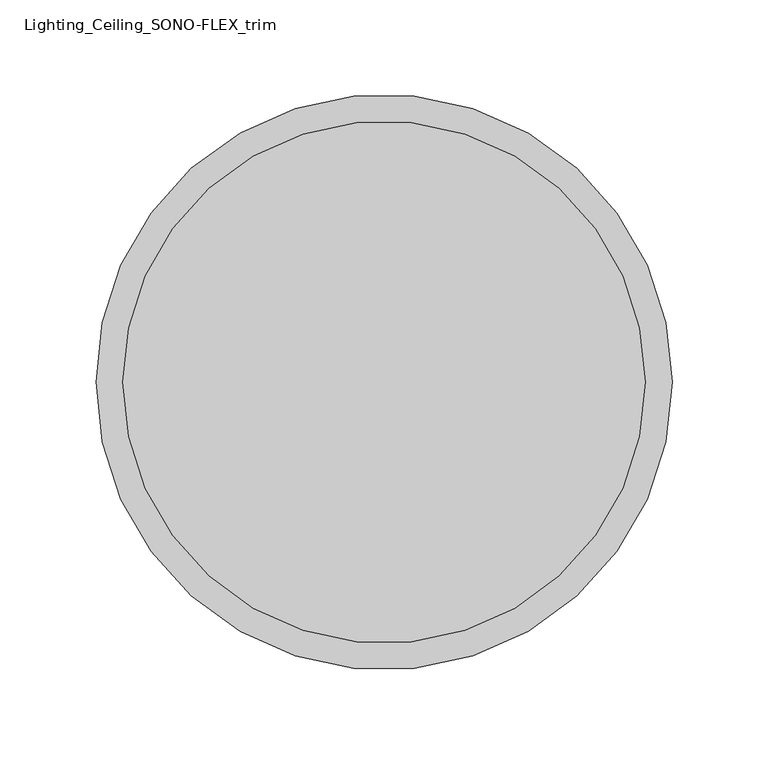
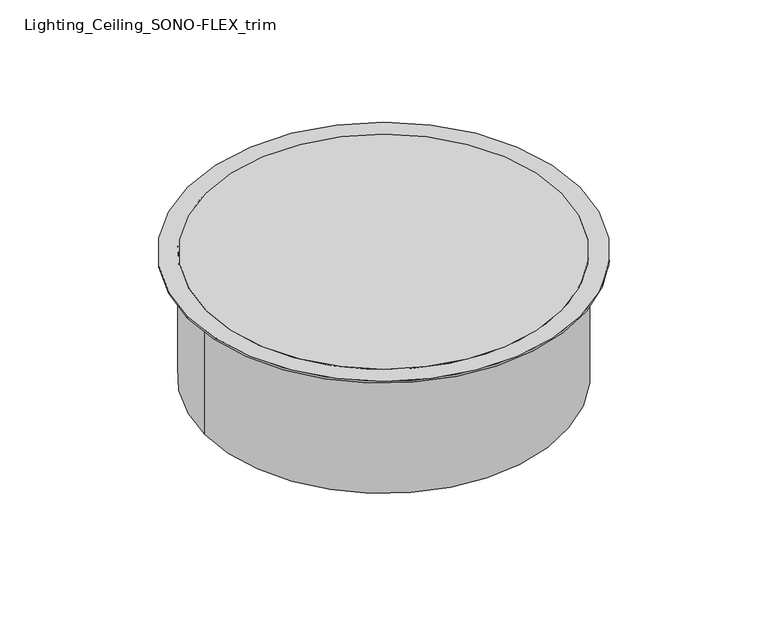
"""IFC4 building model written with IfcOpenShell, lengths in millimetres: light fixture geometry, Lighting_Ceiling_SONO-FLEX_trim."""

from ifc_helpers import new_model, si_unit, point, frame, origin, origin_2d, place, context, project, spatial, polyline, circle_curve, trimmed, segment, composite_curve, outline, extrude, source, transform, mapped, element, save
from ifc_brep_helpers import plane_surface, cylinder_surface, revolved_surface, advanced_brep


def lighting_ceiling_sono_flex_trim_cee414fc(model_context):
    return source(origin(), model_context, "Body", "SolidModel", [
        extrude(outline(composite_curve([segment(trimmed(circle_curve(origin_2d(), 136.0), [point((-136.0, 0.0))], [point((136.0, 0.0))], False, "CARTESIAN"), True, "CONTINUOUS"), segment(trimmed(circle_curve(origin_2d(), 136.0), [point((136.0, 0.0))], [point((-136.0, 0.0))], False, "CARTESIAN"), True, "CONTINUOUS")], self_intersect=False)), frame((0.0, 0.0, -1.5), z_axis=(0.0, 0.0, 1.0), x_axis=(1.0, 0.0, 0.0)), (0.0, 0.0, 1.0), 1.5),
        advanced_brep(
        [(-137.0, 0.0, -1.5), (137.0, 0.0, -1.5), (136.0, 0.0, -1.5), (-136.0, 0.0, -1.5), (-137.0, 0.0, -100.0), (137.0, 0.0, -100.0), (-136.0, 0.0, -97.0), (136.0, 0.0, -97.0)],
        [
            (0, 1, circle_curve(frame((0.0, 0.0, -1.5), z_axis=(0.0, 0.0, 1.0), x_axis=(1.0, 0.0, 0.0)), 137.0)),
            (1, 0, circle_curve(frame((0.0, 0.0, -1.5), z_axis=(0.0, 0.0, 1.0), x_axis=(1.0, 0.0, 0.0)), 137.0)),
            (2, 3, circle_curve(frame((0.0, 0.0, -1.5), z_axis=(0.0, 0.0, -1.0), x_axis=(1.0, 0.0, 0.0)), 136.0)),
            (3, 2, circle_curve(frame((0.0, 0.0, -1.5), z_axis=(0.0, 0.0, -1.0), x_axis=(1.0, 0.0, 0.0)), 136.0)),
            (4, 5, circle_curve(frame((0.0, 0.0, -100.0), z_axis=(0.0, 0.0, -1.0), x_axis=(1.0, 0.0, 0.0)), 137.0)),
            (5, 4, circle_curve(frame((0.0, 0.0, -100.0), z_axis=(0.0, 0.0, -1.0), x_axis=(1.0, 0.0, 0.0)), 137.0)),
            (0, 4),
            (5, 1),
            (6, 7, circle_curve(frame((0.0, 0.0, -97.0), z_axis=(0.0, 0.0, 1.0), x_axis=(1.0, 0.0, 0.0)), 136.0)),
            (7, 6, circle_curve(frame((0.0, 0.0, -97.0), z_axis=(0.0, 0.0, 1.0), x_axis=(1.0, 0.0, 0.0)), 136.0)),
            (6, 3),
            (2, 7),
        ],
        [
            plane_surface(frame((137.0, 0.0, -1.5), z_axis=(0.0, 0.0, 1.0), x_axis=(0.0, 1.0, 0.0))),
            plane_surface(frame((137.0, 0.0, -100.0), z_axis=(0.0, 0.0, -1.0), x_axis=(0.0, -1.0, 0.0))),
            cylinder_surface(frame((0.0, 0.0, -100.0), z_axis=(0.0, 0.0, 1.0), x_axis=(1.0, 0.0, 0.0)), 137.0),
            plane_surface(frame((136.0, 0.0, -97.0), z_axis=(0.0, 0.0, 1.0), x_axis=(0.0, -1.0, 0.0))),
            revolved_surface(polyline([(136.0, 0.0, -1.5), (136.0, 0.0, -97.0)]), (0.0, 0.0, -97.0), (0.0, 0.0, 1.0)),
        ],
        [
            (0, [[1, 2], [3, 4]]),
            (1, [[5, 6]]),
            (2, [[-1, 7, -6, 8]]),
            (2, [[-2, -8, -5, -7]]),
            (3, [[9, 10]]),
            (4, [[-9, 11, -3, 12]]),
            (4, [[-10, -12, -4, -11]]),
        ],
    ),
        extrude(outline(composite_curve([segment(trimmed(circle_curve(origin_2d(), 150.0), [point((-150.0, 0.0))], [point((150.0, 0.0))], False, "CARTESIAN"), True, "CONTINUOUS"), segment(trimmed(circle_curve(origin_2d(), 150.0), [point((150.0, 0.0))], [point((-150.0, 0.0))], False, "CARTESIAN"), True, "CONTINUOUS")], self_intersect=False), holes=[composite_curve([segment(trimmed(circle_curve(origin_2d(), 136.0), [point((-136.0, 0.0))], [point((136.0, 0.0))], True, "CARTESIAN"), True, "CONTINUOUS"), segment(trimmed(circle_curve(origin_2d(), 136.0), [point((136.0, 0.0))], [point((-136.0, 0.0))], True, "CARTESIAN"), True, "CONTINUOUS")], self_intersect=False)]), frame((0.0, 0.0, -1.5), z_axis=(0.0, 0.0, 1.0), x_axis=(1.0, 0.0, 0.0)), (0.0, 0.0, 1.0), 1.5),
    ])


if __name__ == "__main__":
    model = new_model("IFC4")
    model_context = context("Model", 3, world=origin())
    ifc_project = project(units=[si_unit("LENGTHUNIT", "METRE", prefix="MILLI")], contexts=[model_context])
    site = spatial("IfcSite", under=ifc_project)
    building = spatial("IfcBuilding", under=site)
    placement = place(None, origin())
    lighting_ceiling_sono_flex_trim_shape = lighting_ceiling_sono_flex_trim_cee414fc(model_context)
    element("IfcLightFixture", 1, ObjectType="Lighting_Ceiling_SONO-FLEX_trim", at=placement, inside=building, context=model_context, shape_type="MappedRepresentation", body=[
        mapped(lighting_ceiling_sono_flex_trim_shape, transform((0.0, 0.0, 0.0), x_axis=(1.0, 0.0, 0.0), y_axis=(0.0, 1.0, 0.0), z_axis=(0.0, 0.0, 1.0))),
    ])
    save(model, "model.ifc")
